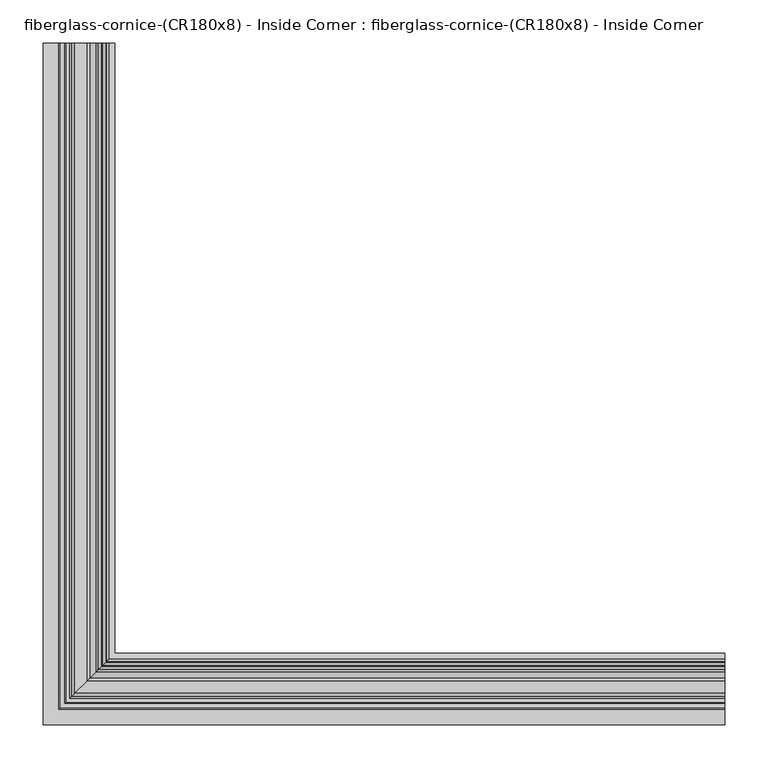
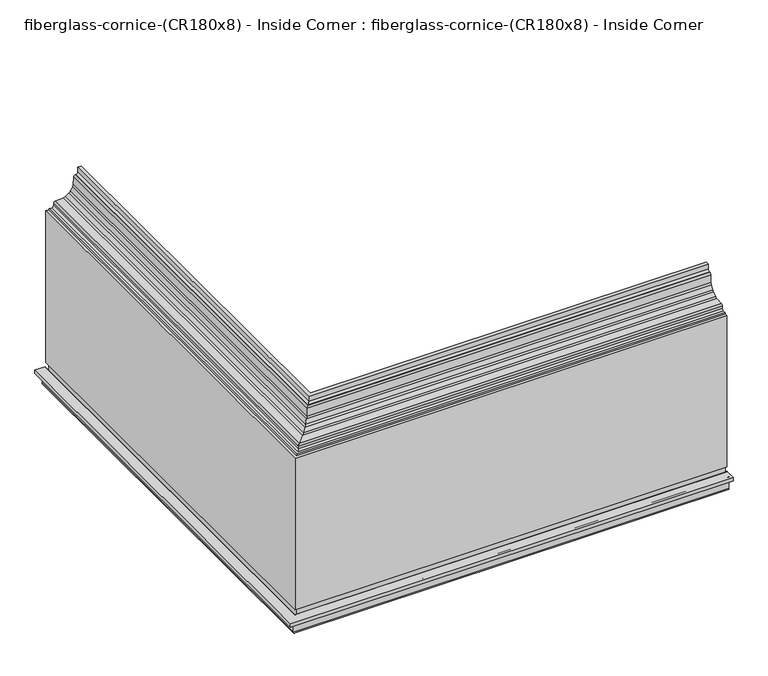
"""IFC4 building model written with IfcOpenShell, lengths in millimetres: furniture geometry, fiberglass-cornice-(CR180x8) - Inside Corner : fiberglass-cornice-(CR180x8) - Inside Corner."""

from ifc_helpers import new_model, si_unit, frame, origin, place, context, project, spatial, polyline, circle_curve, ellipse_curve, source, transform, mapped, element, save
from ifc_brep_helpers import plane_surface, cylinder_surface, revolved_surface, advanced_brep


def fiberglass_cornice_cr180x8_inside_corner_fiberglass_cornice_f8d6cf36(model_context):
    return source(origin(), model_context, "Body", "AdvancedBrep", [
        advanced_brep(
        [(-311.2539933, 888.603125, 330.1999904), (-311.1886329, 888.603125, 314.1070439), (-314.3636329, 888.603125, 310.9320439), (-315.6357952, 888.603125, 310.9320439), (-318.8081475, 888.603125, 307.8866827), (-319.2746493, 888.603125, 296.4710627), (-319.5142982, 888.603125, 295.6445662), (-326.5292074, 888.603125, 283.4942521), (-327.1251439, 888.603125, 282.8734562), (-338.9787903, 888.603125, 275.3681146), (-339.7948084, 888.603125, 275.0949071), (-351.3080808, 888.603125, 274.1521808), (-354.2235989, 888.603125, 271.2366627), (-354.2309538, 888.603125, 266.3509303), (-357.4059502, 888.603125, 263.171163), (-361.4953389, 888.603125, 263.171163), (-363.0828389, 888.603125, 261.583663), (-363.0828389, 888.603125, 16.6929136), (-359.9078389, 888.603125, 13.5179136), (-356.9071489, 888.603125, 13.5179136), (-353.7321489, 888.603125, 10.3429136), (-353.7321489, 888.603125, 0.0731593), (-356.9071489, 888.603125, -3.1018407), (-359.9078389, 888.603125, -3.1018407), (-363.0828389, 888.603125, -6.2768407), (-363.0828389, 888.603125, -53.6088226), (-366.2578389, 888.603125, -56.7838226), (-377.8249938, 888.603125, -56.7838226), (-380.9999938, 888.603125, -53.6088226), (-380.9999938, 888.603125, -32.9713226), (-382.5874938, 888.603125, -31.3838226), (-393.6999938, 888.603125, -31.3838226), (-393.6999938, 888.603125, -25.0338226), (-376.2374938, 888.603125, -25.0338226), (-374.6499938, 888.603125, -26.6213226), (-374.6499938, 888.603125, -48.8463226), (-373.0624938, 888.603125, -50.4338226), (-371.0203389, 888.603125, -50.4338226), (-369.4328389, 888.603125, -48.8463226), (-369.4328389, 888.603125, -17.0963226), (-374.1953389, 888.603125, -17.0963226), (-374.1953389, 888.603125, 267.933663), (-369.4328389, 888.603125, 267.933663), (-367.8453389, 888.603125, 269.521163), (-363.7464228, 888.603125, 269.521163), (-360.5714245, 888.603125, 272.6927921), (-360.5606048, 888.603125, 277.0104378), (-357.6493011, 888.603125, 280.0042025), (-343.3768832, 888.603125, 281.1728523), (-339.77847, 888.603125, 282.3776218), (-333.1193541, 888.603125, 286.5939564), (-330.4914396, 888.603125, 289.3314941), (-326.5506191, 888.603125, 296.1572713), (-325.4938342, 888.603125, 299.8018911), (-324.9039532, 888.603125, 314.2366827), (-321.731601, 888.603125, 317.2820439), (-320.7136329, 888.603125, 317.2820439), (-317.5386329, 888.603125, 320.4570439), (-317.5386329, 888.603125, 330.1999904), (393.6999938, 183.6491256, 330.1999904), (393.6999938, 177.364486, 330.1999904), (393.6999938, 177.364486, 320.4570439), (393.6999938, 174.189486, 317.2820439), (393.6999938, 173.1715178, 317.2820439), (393.6999938, 169.9991656, 314.2366827), (393.6999938, 169.4092846, 299.8018911), (393.6999938, 168.3524998, 296.1572713), (393.6999938, 164.4116792, 289.3314941), (393.6999938, 161.7837647, 286.5939564), (393.6999938, 155.1246488, 282.3776218), (393.6999938, 151.5262356, 281.1728523), (393.6999938, 137.2538177, 280.0042025), (393.6999938, 134.342514, 277.0104378), (393.6999938, 134.3316943, 272.6927921), (393.6999938, 131.1566961, 269.521163), (393.6999938, 127.05778, 269.521163), (393.6999938, 125.47028, 267.933663), (393.6999938, 120.70778, 267.933663), (393.6999938, 120.70778, -17.0963226), (393.6999938, 125.47028, -17.0963226), (393.6999938, 125.47028, -48.8463226), (393.6999938, 123.88278, -50.4338226), (393.6999938, 121.840625, -50.4338226), (393.6999938, 120.253125, -48.8463226), (393.6999938, 120.253125, -26.6213226), (393.6999938, 118.665625, -25.0338226), (393.6999938, 101.203125, -25.0338226), (393.6999938, 101.203125, -31.3838226), (393.6999938, 112.315625, -31.3838226), (393.6999938, 113.903125, -32.9713226), (393.6999938, 113.903125, -53.6088226), (393.6999938, 117.078125, -56.7838226), (393.6999938, 128.64528, -56.7838226), (393.6999938, 131.82028, -53.6088226), (393.6999938, 131.82028, -6.2768407), (393.6999938, 134.99528, -3.1018407), (393.6999938, 137.9959699, -3.1018407), (393.6999938, 141.1709699, 0.0731593), (393.6999938, 141.1709699, 10.3429136), (393.6999938, 137.9959699, 13.5179136), (393.6999938, 134.99528, 13.5179136), (393.6999938, 131.82028, 16.6929136), (393.6999938, 131.82028, 261.583663), (393.6999938, 133.40778, 263.171163), (393.6999938, 137.4971687, 263.171163), (393.6999938, 140.6721651, 266.3509303), (393.6999938, 140.6795199, 271.2366627), (393.6999938, 143.595038, 274.1521808), (393.6999938, 155.1083105, 275.0949071), (393.6999938, 155.9243286, 275.3681146), (393.6999938, 167.777975, 282.8734562), (393.6999938, 168.3739115, 283.4942521), (393.6999938, 175.3888207, 295.6445662), (393.6999938, 175.6284695, 296.4710627), (393.6999938, 176.0949714, 307.8866827), (393.6999938, 179.2673236, 310.9320439), (393.6999938, 180.539486, 310.9320439), (393.6999938, 183.714486, 314.1070439), (-311.2539933, 183.6491256, 330.1999904), (-311.1886329, 183.714486, 314.1070439), (-314.3636329, 180.539486, 310.9320439), (-315.6357952, 179.2673236, 310.9320439), (-318.8081475, 176.0949714, 307.8866827), (-319.2746493, 175.6284695, 296.4710627), (-319.5142982, 175.3888207, 295.6445662), (-326.5292074, 168.3739115, 283.4942521), (-327.1251439, 167.777975, 282.8734562), (-338.9787903, 155.9243286, 275.3681146), (-339.7948084, 155.1083105, 275.0949071), (-351.3080808, 143.595038, 274.1521808), (-354.2235989, 140.6795199, 271.2366627), (-354.2309538, 140.6721651, 266.3509303), (-357.4059502, 137.4971687, 263.171163), (-361.4953389, 133.40778, 263.171163), (-363.0828389, 131.82028, 261.583663), (-363.0828389, 131.82028, 16.6929136), (-359.9078389, 134.99528, 13.5179136), (-356.9071489, 137.9959699, 13.5179136), (-353.7321489, 141.1709699, 10.3429136), (-353.7321489, 141.1709699, 0.0731593), (-356.9071489, 137.9959699, -3.1018407), (-359.9078389, 134.99528, -3.1018407), (-363.0828389, 131.82028, -6.2768407), (-363.0828389, 131.82028, -53.6088226), (-366.2578389, 128.64528, -56.7838226), (-377.8249938, 117.078125, -56.7838226), (-380.9999938, 113.903125, -53.6088226), (-380.9999938, 113.903125, -32.9713226), (-382.5874938, 112.315625, -31.3838226), (-393.6999938, 101.203125, -31.3838226), (-393.6999938, 101.203125, -25.0338226), (-376.2374938, 118.665625, -25.0338226), (-374.6499938, 120.253125, -26.6213226), (-374.6499938, 120.253125, -48.8463226), (-373.0624938, 121.840625, -50.4338226), (-371.0203389, 123.88278, -50.4338226), (-369.4328389, 125.47028, -48.8463226), (-369.4328389, 125.47028, -17.0963226), (-374.1953389, 120.70778, -17.0963226), (-374.1953389, 120.70778, 267.933663), (-369.4328389, 125.47028, 267.933663), (-367.8453389, 127.05778, 269.521163), (-363.7464228, 131.1566961, 269.521163), (-360.5714245, 134.3316943, 272.6927921), (-360.5606048, 134.342514, 277.0104378), (-357.6493011, 137.2538177, 280.0042025), (-343.3768832, 151.5262356, 281.1728523), (-339.77847, 155.1246488, 282.3776218), (-333.1193541, 161.7837647, 286.5939564), (-330.4914396, 164.4116792, 289.3314941), (-326.5506191, 168.3524998, 296.1572713), (-325.4938342, 169.4092846, 299.8018911), (-324.9039532, 169.9991656, 314.2366827), (-321.731601, 173.1715178, 317.2820439), (-320.7136329, 174.189486, 317.2820439), (-317.5386329, 177.364486, 320.4570439), (-317.5386329, 177.364486, 330.1999904)],
        [
            (0, 1),
            (1, 2, circle_curve(frame((-314.3636329, 888.603125, 314.1070439), z_axis=(0.0, 1.0, 0.0), x_axis=(-1.0, 0.0, 0.0)), 3.175)),
            (2, 3),
            (3, 4, circle_curve(frame((-315.6357952, 888.603125, 307.7570439), z_axis=(0.0, -1.0, 0.0), x_axis=(-1.0, 0.0, 0.0)), 3.175)),
            (4, 5),
            (5, 6, circle_curve(frame((-321.0731482, 888.603125, 296.5445587), z_axis=(0.0, 1.0, 0.0), x_axis=(1.0, 0.0, 0.0)), 1.8)),
            (6, 7),
            (7, 8, circle_curve(frame((-328.0880574, 888.603125, 284.3942446), z_axis=(0.0, 1.0, 0.0), x_axis=(1.0, 0.0, 0.0)), 1.8)),
            (8, 9),
            (9, 10, circle_curve(frame((-339.9417038, 888.603125, 276.8889031), z_axis=(0.0, 1.0, 0.0), x_axis=(1.0, 0.0, 0.0)), 1.8)),
            (10, 11),
            (11, 12, circle_curve(frame((-351.3080808, 888.603125, 271.2366627), z_axis=(0.0, -1.0, 0.0), x_axis=(1.0, 0.0, 0.0)), 2.9155181)),
            (12, 13),
            (13, 14, circle_curve(frame((-357.4059502, 888.603125, 266.346163), z_axis=(0.0, 1.0, 0.0), x_axis=(-1.0, 0.0, 0.0)), 3.175)),
            (14, 15),
            (15, 16, circle_curve(frame((-361.4953389, 888.603125, 261.583663), z_axis=(0.0, -1.0, 0.0), x_axis=(-1.0, 0.0, 0.0)), 1.5875)),
            (16, 17),
            (17, 18, circle_curve(frame((-359.9078389, 888.603125, 16.6929136), z_axis=(0.0, -1.0, 0.0), x_axis=(-1.0, 0.0, 0.0)), 3.175)),
            (18, 19),
            (19, 20, circle_curve(frame((-356.9071489, 888.603125, 10.3429136), z_axis=(0.0, 1.0, 0.0), x_axis=(-1.0, 0.0, 0.0)), 3.175)),
            (20, 21),
            (21, 22, circle_curve(frame((-356.9071489, 888.603125, 0.0731593), z_axis=(0.0, 1.0, 0.0), x_axis=(-1.0, 0.0, 0.0)), 3.175)),
            (22, 23),
            (23, 24, circle_curve(frame((-359.9078389, 888.603125, -6.2768407), z_axis=(0.0, -1.0, 0.0), x_axis=(-1.0, 0.0, 0.0)), 3.175)),
            (24, 25),
            (25, 26, circle_curve(frame((-366.2578389, 888.603125, -53.6088226), z_axis=(0.0, 1.0, 0.0), x_axis=(-1.0, 0.0, 0.0)), 3.175)),
            (26, 27),
            (27, 28, circle_curve(frame((-377.8249938, 888.603125, -53.6088226), z_axis=(0.0, 1.0, 0.0), x_axis=(-1.0, 0.0, 0.0)), 3.175)),
            (28, 29),
            (29, 30, circle_curve(frame((-382.5874938, 888.603125, -32.9713226), z_axis=(0.0, -1.0, 0.0), x_axis=(-1.0, 0.0, 0.0)), 1.5875)),
            (30, 31),
            (31, 32),
            (32, 33),
            (33, 34, circle_curve(frame((-376.2374938, 888.603125, -26.6213226), z_axis=(0.0, 1.0, 0.0), x_axis=(-1.0, 0.0, 0.0)), 1.5875)),
            (34, 35),
            (35, 36, circle_curve(frame((-373.0624938, 888.603125, -48.8463226), z_axis=(0.0, -1.0, 0.0), x_axis=(-1.0, 0.0, 0.0)), 1.5875)),
            (36, 37),
            (37, 38, circle_curve(frame((-371.0203389, 888.603125, -48.8463226), z_axis=(0.0, -1.0, 0.0), x_axis=(-1.0, 0.0, 0.0)), 1.5875)),
            (38, 39),
            (39, 40),
            (40, 41),
            (41, 42),
            (42, 43, circle_curve(frame((-367.8453389, 888.603125, 267.933663), z_axis=(0.0, 1.0, 0.0), x_axis=(-1.0, 0.0, 0.0)), 1.5875)),
            (43, 44),
            (44, 45, circle_curve(frame((-363.7464228, 888.603125, 272.696163), z_axis=(0.0, -1.0, 0.0), x_axis=(-1.0, 0.0, 0.0)), 3.175)),
            (45, 46),
            (46, 47, circle_curve(frame((-357.3901939, 888.603125, 276.8397928), z_axis=(0.0, 1.0, 0.0), x_axis=(-1.0, 0.0, 0.0)), 3.175)),
            (47, 48),
            (48, 49, circle_curve(frame((-344.0246513, 888.603125, 289.0838764), z_axis=(0.0, -1.0, 0.0), x_axis=(-1.0, 0.0, 0.0)), 7.9375)),
            (49, 50),
            (50, 51, circle_curve(frame((-337.3655354, 888.603125, 293.300211), z_axis=(0.0, -1.0, 0.0), x_axis=(-1.0, 0.0, 0.0)), 7.9375)),
            (51, 52),
            (52, 53, circle_curve(frame((-333.4247148, 888.603125, 300.1259883), z_axis=(0.0, -1.0, 0.0), x_axis=(-1.0, 0.0, 0.0)), 7.9375)),
            (53, 54),
            (54, 55, circle_curve(frame((-321.731601, 888.603125, 314.1070439), z_axis=(0.0, 1.0, 0.0), x_axis=(-1.0, 0.0, 0.0)), 3.175)),
            (55, 56),
            (56, 57, circle_curve(frame((-320.7136329, 888.603125, 320.4570439), z_axis=(0.0, -1.0, 0.0), x_axis=(-1.0, 0.0, 0.0)), 3.175)),
            (57, 58),
            (58, 0),
            (59, 60),
            (60, 61),
            (61, 62, circle_curve(frame((393.6999938, 174.189486, 320.4570439), z_axis=(-1.0, 0.0, 0.0), x_axis=(0.0, -1.0, 0.0)), 3.175)),
            (62, 63),
            (63, 64, circle_curve(frame((393.6999938, 173.1715178, 314.1070439), z_axis=(1.0, 0.0, 0.0), x_axis=(0.0, -1.0, 0.0)), 3.175)),
            (64, 65),
            (65, 66, circle_curve(frame((393.6999938, 161.478404, 300.1259883), z_axis=(-1.0, 0.0, 0.0), x_axis=(0.0, -1.0, 0.0)), 7.9375)),
            (66, 67),
            (67, 68, circle_curve(frame((393.6999938, 157.5375835, 293.300211), z_axis=(-1.0, 0.0, 0.0), x_axis=(0.0, -1.0, 0.0)), 7.9375)),
            (68, 69),
            (69, 70, circle_curve(frame((393.6999938, 150.8784676, 289.0838764), z_axis=(-1.0, 0.0, 0.0), x_axis=(0.0, -1.0, 0.0)), 7.9375)),
            (70, 71),
            (71, 72, circle_curve(frame((393.6999938, 137.5129249, 276.8397928), z_axis=(1.0, 0.0, 0.0), x_axis=(0.0, -1.0, 0.0)), 3.175)),
            (72, 73),
            (73, 74, circle_curve(frame((393.6999938, 131.1566961, 272.696163), z_axis=(-1.0, 0.0, 0.0), x_axis=(0.0, -1.0, 0.0)), 3.175)),
            (74, 75),
            (75, 76, circle_curve(frame((393.6999938, 127.05778, 267.933663), z_axis=(1.0, 0.0, 0.0), x_axis=(0.0, -1.0, 0.0)), 1.5875)),
            (76, 77),
            (77, 78),
            (78, 79),
            (79, 80),
            (80, 81, circle_curve(frame((393.6999938, 123.88278, -48.8463226), z_axis=(-1.0, 0.0, 0.0), x_axis=(0.0, -1.0, 0.0)), 1.5875)),
            (81, 82),
            (82, 83, circle_curve(frame((393.6999938, 121.840625, -48.8463226), z_axis=(-1.0, 0.0, 0.0), x_axis=(0.0, -1.0, 0.0)), 1.5875)),
            (83, 84),
            (84, 85, circle_curve(frame((393.6999938, 118.665625, -26.6213226), z_axis=(1.0, 0.0, 0.0), x_axis=(0.0, -1.0, 0.0)), 1.5875)),
            (85, 86),
            (86, 87),
            (87, 88),
            (88, 89, circle_curve(frame((393.6999938, 112.315625, -32.9713226), z_axis=(-1.0, 0.0, 0.0), x_axis=(0.0, -1.0, 0.0)), 1.5875)),
            (89, 90),
            (90, 91, circle_curve(frame((393.6999938, 117.078125, -53.6088226), z_axis=(1.0, 0.0, 0.0), x_axis=(0.0, -1.0, 0.0)), 3.175)),
            (91, 92),
            (92, 93, circle_curve(frame((393.6999938, 128.64528, -53.6088226), z_axis=(1.0, 0.0, 0.0), x_axis=(0.0, -1.0, 0.0)), 3.175)),
            (93, 94),
            (94, 95, circle_curve(frame((393.6999938, 134.99528, -6.2768407), z_axis=(-1.0, 0.0, 0.0), x_axis=(0.0, -1.0, 0.0)), 3.175)),
            (95, 96),
            (96, 97, circle_curve(frame((393.6999938, 137.9959699, 0.0731593), z_axis=(1.0, 0.0, 0.0), x_axis=(0.0, -1.0, 0.0)), 3.175)),
            (97, 98),
            (98, 99, circle_curve(frame((393.6999938, 137.9959699, 10.3429136), z_axis=(1.0, 0.0, 0.0), x_axis=(0.0, -1.0, 0.0)), 3.175)),
            (99, 100),
            (100, 101, circle_curve(frame((393.6999938, 134.99528, 16.6929136), z_axis=(-1.0, 0.0, 0.0), x_axis=(0.0, -1.0, 0.0)), 3.175)),
            (101, 102),
            (102, 103, circle_curve(frame((393.6999938, 133.40778, 261.583663), z_axis=(-1.0, 0.0, 0.0), x_axis=(0.0, -1.0, 0.0)), 1.5875)),
            (103, 104),
            (104, 105, circle_curve(frame((393.6999938, 137.4971687, 266.346163), z_axis=(1.0, 0.0, 0.0), x_axis=(0.0, -1.0, 0.0)), 3.175)),
            (105, 106),
            (106, 107, circle_curve(frame((393.6999938, 143.595038, 271.2366627), z_axis=(-1.0, 0.0, 0.0), x_axis=(0.0, 1.0, 0.0)), 2.9155181)),
            (107, 108),
            (108, 109, circle_curve(frame((393.6999938, 154.961415, 276.8889031), z_axis=(1.0, 0.0, 0.0), x_axis=(0.0, 1.0, 0.0)), 1.8)),
            (109, 110),
            (110, 111, circle_curve(frame((393.6999938, 166.8150614, 284.3942446), z_axis=(1.0, 0.0, 0.0), x_axis=(0.0, 1.0, 0.0)), 1.8)),
            (111, 112),
            (112, 113, circle_curve(frame((393.6999938, 173.8299706, 296.5445587), z_axis=(1.0, 0.0, 0.0), x_axis=(0.0, 1.0, 0.0)), 1.8)),
            (113, 114),
            (114, 115, circle_curve(frame((393.6999938, 179.2673236, 307.7570439), z_axis=(-1.0, 0.0, 0.0), x_axis=(0.0, -1.0, 0.0)), 3.175)),
            (115, 116),
            (116, 117, circle_curve(frame((393.6999938, 180.539486, 314.1070439), z_axis=(1.0, 0.0, 0.0), x_axis=(0.0, -1.0, 0.0)), 3.175)),
            (117, 59),
            (0, 118),
            (118, 119),
            (119, 1),
            (119, 120, ellipse_curve(frame((-314.3636329, 180.539486, 314.1070439), z_axis=(-0.7071067811865475, 0.7071067811865475, 0.0), x_axis=(0.7071067811865474, 0.7071067811865476, 0.0)), 4.4901281, 3.175)),
            (120, 2),
            (120, 116),
            (115, 121),
            (121, 3),
            (121, 122, ellipse_curve(frame((-315.6357952, 179.2673236, 307.7570439), z_axis=(0.7071067811865475, -0.7071067811865475, 0.0), x_axis=(-0.7071067811865474, -0.7071067811865476, 0.0)), 4.4901281, 3.175)),
            (122, 4),
            (122, 123),
            (123, 5),
            (123, 124, ellipse_curve(frame((-321.0731482, 173.8299706, 296.5445587), z_axis=(-0.7071067811865475, 0.7071067811865475, 0.0), x_axis=(0.7071067811865474, 0.7071067811865476, 0.0)), 2.5455844, 1.8)),
            (124, 6),
            (124, 125),
            (125, 7),
            (125, 126, ellipse_curve(frame((-328.0880574, 166.8150614, 284.3942446), z_axis=(-0.7071067811865475, 0.7071067811865475, 0.0), x_axis=(0.7071067811865474, 0.7071067811865476, 0.0)), 2.5455844, 1.8)),
            (126, 8),
            (126, 127),
            (127, 9),
            (127, 128, ellipse_curve(frame((-339.9417038, 154.961415, 276.8889031), z_axis=(-0.7071067811865475, 0.7071067811865475, 0.0), x_axis=(0.7071067811865474, 0.7071067811865476, 0.0)), 2.5455844, 1.8)),
            (128, 10),
            (128, 129),
            (129, 11),
            (129, 130, ellipse_curve(frame((-351.3080808, 143.595038, 271.2366627), z_axis=(0.7071067811865475, -0.7071067811865475, 0.0), x_axis=(-0.7071067811865474, -0.7071067811865476, 0.0)), 4.1231652, 2.9155181)),
            (130, 12),
            (130, 131),
            (131, 13),
            (131, 132, ellipse_curve(frame((-357.4059502, 137.4971687, 266.346163), z_axis=(-0.7071067811865475, 0.7071067811865475, 0.0), x_axis=(0.7071067811865474, 0.7071067811865476, 0.0)), 4.4901281, 3.175)),
            (132, 14),
            (132, 104),
            (103, 133),
            (133, 15),
            (133, 134, ellipse_curve(frame((-361.4953389, 133.40778, 261.583663), z_axis=(0.7071067811865475, -0.7071067811865475, 0.0), x_axis=(-0.7071067811865474, -0.7071067811865476, 0.0)), 2.245064, 1.5875)),
            (134, 16),
            (134, 135),
            (135, 17),
            (135, 136, ellipse_curve(frame((-359.9078389, 134.99528, 16.6929136), z_axis=(0.7071067811865475, -0.7071067811865475, 0.0), x_axis=(-0.7071067811865474, -0.7071067811865476, 0.0)), 4.4901281, 3.175)),
            (136, 18),
            (136, 100),
            (99, 137),
            (137, 19),
            (137, 138, ellipse_curve(frame((-356.9071489, 137.9959699, 10.3429136), z_axis=(-0.7071067811865475, 0.7071067811865475, 0.0), x_axis=(0.7071067811865474, 0.7071067811865476, 0.0)), 4.4901281, 3.175)),
            (138, 20),
            (138, 139),
            (139, 21),
            (139, 140, ellipse_curve(frame((-356.9071489, 137.9959699, 0.0731593), z_axis=(-0.7071067811865475, 0.7071067811865475, 0.0), x_axis=(0.7071067811865474, 0.7071067811865476, 0.0)), 4.4901281, 3.175)),
            (140, 22),
            (140, 96),
            (95, 141),
            (141, 23),
            (141, 142, ellipse_curve(frame((-359.9078389, 134.99528, -6.2768407), z_axis=(0.7071067811865475, -0.7071067811865475, 0.0), x_axis=(-0.7071067811865474, -0.7071067811865476, 0.0)), 4.4901281, 3.175)),
            (142, 24),
            (142, 143),
            (143, 25),
            (143, 144, ellipse_curve(frame((-366.2578389, 128.64528, -53.6088226), z_axis=(-0.7071067811865475, 0.7071067811865475, 0.0), x_axis=(0.7071067811865474, 0.7071067811865476, 0.0)), 4.4901281, 3.175)),
            (144, 26),
            (144, 92),
            (91, 145),
            (145, 27),
            (145, 146, ellipse_curve(frame((-377.8249938, 117.078125, -53.6088226), z_axis=(-0.7071067811865475, 0.7071067811865475, 0.0), x_axis=(0.7071067811865474, 0.7071067811865476, 0.0)), 4.4901281, 3.175)),
            (146, 28),
            (146, 147),
            (147, 29),
            (147, 148, ellipse_curve(frame((-382.5874938, 112.315625, -32.9713226), z_axis=(0.7071067811865475, -0.7071067811865475, 0.0), x_axis=(-0.7071067811865474, -0.7071067811865476, 0.0)), 2.245064, 1.5875)),
            (148, 30),
            (148, 88),
            (87, 149),
            (149, 31),
            (149, 150),
            (150, 32),
            (150, 86),
            (85, 151),
            (151, 33),
            (151, 152, ellipse_curve(frame((-376.2374938, 118.665625, -26.6213226), z_axis=(-0.7071067811865475, 0.7071067811865475, 0.0), x_axis=(0.7071067811865474, 0.7071067811865476, 0.0)), 2.245064, 1.5875)),
            (152, 34),
            (152, 153),
            (153, 35),
            (153, 154, ellipse_curve(frame((-373.0624938, 121.840625, -48.8463226), z_axis=(0.7071067811865475, -0.7071067811865475, 0.0), x_axis=(-0.7071067811865474, -0.7071067811865476, 0.0)), 2.245064, 1.5875)),
            (154, 36),
            (154, 82),
            (81, 155),
            (155, 37),
            (155, 156, ellipse_curve(frame((-371.0203389, 123.88278, -48.8463226), z_axis=(0.7071067811865475, -0.7071067811865475, 0.0), x_axis=(-0.7071067811865474, -0.7071067811865476, 0.0)), 2.245064, 1.5875)),
            (156, 38),
            (156, 157),
            (157, 39),
            (157, 79),
            (78, 158),
            (158, 40),
            (158, 159),
            (159, 41),
            (159, 77),
            (76, 160),
            (160, 42),
            (160, 161, ellipse_curve(frame((-367.8453389, 127.05778, 267.933663), z_axis=(-0.7071067811865475, 0.7071067811865475, 0.0), x_axis=(0.7071067811865474, 0.7071067811865476, 0.0)), 2.245064, 1.5875)),
            (161, 43),
            (161, 75),
            (74, 162),
            (162, 44),
            (162, 163, ellipse_curve(frame((-363.7464228, 131.1566961, 272.696163), z_axis=(0.7071067811865475, -0.7071067811865475, 0.0), x_axis=(-0.7071067811865474, -0.7071067811865476, 0.0)), 4.4901281, 3.175)),
            (163, 45),
            (163, 164),
            (164, 46),
            (164, 165, ellipse_curve(frame((-357.3901939, 137.5129249, 276.8397928), z_axis=(-0.7071067811865475, 0.7071067811865475, 0.0), x_axis=(0.7071067811865474, 0.7071067811865476, 0.0)), 4.4901281, 3.175)),
            (165, 47),
            (165, 166),
            (166, 48),
            (166, 167, ellipse_curve(frame((-344.0246513, 150.8784676, 289.0838764), z_axis=(0.7071067811865475, -0.7071067811865475, 0.0), x_axis=(-0.7071067811865474, -0.7071067811865476, 0.0)), 11.2253202, 7.9375)),
            (167, 49),
            (167, 168),
            (168, 50),
            (168, 169, ellipse_curve(frame((-337.3655354, 157.5375835, 293.300211), z_axis=(0.7071067811865475, -0.7071067811865475, 0.0), x_axis=(-0.7071067811865474, -0.7071067811865476, 0.0)), 11.2253202, 7.9375)),
            (169, 51),
            (169, 170),
            (170, 52),
            (170, 171, ellipse_curve(frame((-333.4247148, 161.478404, 300.1259883), z_axis=(0.7071067811865475, -0.7071067811865475, 0.0), x_axis=(-0.7071067811865474, -0.7071067811865476, 0.0)), 11.2253202, 7.9375)),
            (171, 53),
            (171, 172),
            (172, 54),
            (172, 173, ellipse_curve(frame((-321.731601, 173.1715178, 314.1070439), z_axis=(-0.7071067811865475, 0.7071067811865475, 0.0), x_axis=(0.7071067811865474, 0.7071067811865476, 0.0)), 4.4901281, 3.175)),
            (173, 55),
            (173, 63),
            (62, 174),
            (174, 56),
            (174, 175, ellipse_curve(frame((-320.7136329, 174.189486, 320.4570439), z_axis=(0.7071067811865475, -0.7071067811865475, 0.0), x_axis=(-0.7071067811865474, -0.7071067811865476, 0.0)), 4.4901281, 3.175)),
            (175, 57),
            (175, 176),
            (176, 58),
            (176, 60),
            (59, 118),
            (117, 119),
            (114, 122),
            (113, 123),
            (112, 124),
            (111, 125),
            (110, 126),
            (109, 127),
            (108, 128),
            (107, 129),
            (106, 130),
            (105, 131),
            (102, 134),
            (101, 135),
            (98, 138),
            (97, 139),
            (94, 142),
            (93, 143),
            (90, 146),
            (89, 147),
            (84, 152),
            (83, 153),
            (80, 156),
            (73, 163),
            (72, 164),
            (71, 165),
            (70, 166),
            (69, 167),
            (68, 168),
            (67, 169),
            (66, 170),
            (65, 171),
            (64, 172),
            (61, 175),
        ],
        [
            plane_surface(frame((-393.6999938, 888.603125, 330.1999904), z_axis=(0.0, 1.0, 0.0), x_axis=(0.0, 0.0, 1.0))),
            plane_surface(frame((393.6999938, 101.203125, 330.1999904), z_axis=(1.0, 0.0, 0.0), x_axis=(0.0, 0.0, 1.0))),
            plane_surface(frame((-311.2539933, 888.603125, 330.1999904), z_axis=(0.9999917524925653, 0.0, 0.004061397154666375), x_axis=(0.0, -1.0, 0.0))),
            cylinder_surface(frame((-314.3636329, 888.603125, 314.1070439), z_axis=(0.0, 1.0, 0.0), x_axis=(-1.0, 0.0, 0.0)), 3.175),
            plane_surface(frame((-314.3636329, 888.603125, 310.9320439), z_axis=(0.0, 0.0, -1.0), x_axis=(0.0, -1.0, 0.0))),
            revolved_surface(polyline([(-318.81079520000003, 176.09232357209362, 307.7570439), (-318.81079520000003, 888.603125, 307.7570439)]), (-315.6357952, 888.603125, 307.7570439), (0.0, -1.0, 0.0)),
            plane_surface(frame((-318.8081475, 888.603125, 307.8866827), z_axis=(0.9991660611473995, 0.0, -0.04083114315312859), x_axis=(0.0, -1.0, 0.0))),
            cylinder_surface(frame((-321.0731482, 888.603125, 296.5445587), z_axis=(0.0, 1.0, 0.0), x_axis=(1.0, 0.0, 0.0)), 1.8),
            plane_surface(frame((-319.5142982, 888.603125, 295.6445662), z_axis=(0.866027809755315, 0.0, -0.4999958327130458), x_axis=(0.0, -1.0, 0.0))),
            cylinder_surface(frame((-328.0880574, 888.603125, 284.3942446), z_axis=(0.0, 1.0, 0.0), x_axis=(1.0, 0.0, 0.0)), 1.8),
            plane_surface(frame((-327.1251439, 888.603125, 282.8734562), z_axis=(0.5349519697979427, 0.0, -0.8448824711220497), x_axis=(0.0, -1.0, 0.0))),
            cylinder_surface(frame((-339.9417038, 888.603125, 276.8889031), z_axis=(0.0, 1.0, 0.0), x_axis=(1.0, 0.0, 0.0)), 1.8),
            plane_surface(frame((-339.7948084, 888.603125, 275.0949071), z_axis=(0.08160857611228917, 0.0, -0.9966644572296761), x_axis=(0.0, -1.0, 0.0))),
            revolved_surface(polyline([(-348.39256270000004, 140.67951989999995, 271.2366627), (-348.39256270000004, 888.603125, 271.2366627)]), (-351.3080808, 888.603125, 271.2366627), (0.0, -1.0, 0.0)),
            plane_surface(frame((-354.2235989, 888.603125, 271.2366627), z_axis=(0.999998866936516, 0.0, -0.0015053656314293392), x_axis=(0.0, -1.0, 0.0))),
            cylinder_surface(frame((-357.4059502, 888.603125, 266.346163), z_axis=(0.0, 1.0, 0.0), x_axis=(-1.0, 0.0, 0.0)), 3.175),
            plane_surface(frame((-357.4059502, 888.603125, 263.171163), z_axis=(0.0, 0.0, -1.0), x_axis=(0.0, -1.0, 0.0))),
            revolved_surface(polyline([(-363.08283889999996, 131.82028000000003, 261.583663), (-363.08283889999996, 888.603125, 261.583663)]), (-361.4953389, 888.603125, 261.583663), (0.0, -1.0, 0.0)),
            plane_surface(frame((-363.0828389, 888.603125, 261.583663), z_axis=(1.0, 0.0, 0.0), x_axis=(0.0, -1.0, 0.0))),
            revolved_surface(polyline([(-363.0828389, 131.82027997209366, 16.6929136), (-363.0828389, 888.603125, 16.6929136)]), (-359.9078389, 888.603125, 16.6929136), (0.0, -1.0, 0.0)),
            plane_surface(frame((-359.9078389, 888.603125, 13.5179136), z_axis=(0.0, 0.0, 1.0), x_axis=(0.0, -1.0, 0.0))),
            cylinder_surface(frame((-356.9071489, 888.603125, 10.3429136), z_axis=(0.0, 1.0, 0.0), x_axis=(-1.0, 0.0, 0.0)), 3.175),
            plane_surface(frame((-353.7321489, 888.603125, 10.3429136), z_axis=(1.0, 0.0, 0.0), x_axis=(0.0, -1.0, 0.0))),
            cylinder_surface(frame((-356.9071489, 888.603125, 0.0731593), z_axis=(0.0, 1.0, 0.0), x_axis=(-1.0, 0.0, 0.0)), 3.175),
            plane_surface(frame((-356.9071489, 888.603125, -3.1018407), z_axis=(0.0, 0.0, -1.0), x_axis=(0.0, -1.0, 0.0))),
            revolved_surface(polyline([(-363.0828389, 131.82027997209366, -6.2768407), (-363.0828389, 888.603125, -6.2768407)]), (-359.9078389, 888.603125, -6.2768407), (0.0, -1.0, 0.0)),
            plane_surface(frame((-363.0828389, 888.603125, -6.2768407), z_axis=(1.0, 0.0, 0.0), x_axis=(0.0, -1.0, 0.0))),
            cylinder_surface(frame((-366.2578389, 888.603125, -53.6088226), z_axis=(0.0, 1.0, 0.0), x_axis=(-1.0, 0.0, 0.0)), 3.175),
            plane_surface(frame((-366.2578389, 888.603125, -56.7838226), z_axis=(0.0, 0.0, -1.0), x_axis=(0.0, -1.0, 0.0))),
            cylinder_surface(frame((-377.8249938, 888.603125, -53.6088226), z_axis=(0.0, 1.0, 0.0), x_axis=(-1.0, 0.0, 0.0)), 3.175),
            plane_surface(frame((-380.9999938, 888.603125, -53.6088226), z_axis=(-1.0, 0.0, 0.0), x_axis=(0.0, -1.0, 0.0))),
            revolved_surface(polyline([(-384.1749938, 110.7281250214022, -32.9713226), (-384.1749938, 888.603125, -32.9713226)]), (-382.5874938, 888.603125, -32.9713226), (0.0, -1.0, 0.0)),
            plane_surface(frame((-382.5874938, 888.603125, -31.3838226), z_axis=(0.0, 0.0, -1.0), x_axis=(0.0, -1.0, 0.0))),
            plane_surface(frame((-393.6999938, 888.603125, -31.3838226), z_axis=(-1.0, 0.0, 0.0), x_axis=(0.0, -1.0, 0.0))),
            plane_surface(frame((-393.6999938, 888.603125, -25.0338226), z_axis=(0.0, 0.0, 1.0), x_axis=(0.0, -1.0, 0.0))),
            cylinder_surface(frame((-376.2374938, 888.603125, -26.6213226), z_axis=(0.0, 1.0, 0.0), x_axis=(-1.0, 0.0, 0.0)), 1.5875),
            plane_surface(frame((-374.6499938, 888.603125, -26.6213226), z_axis=(1.0, 0.0, 0.0), x_axis=(0.0, -1.0, 0.0))),
            revolved_surface(polyline([(-374.6499938, 120.25312499999995, -48.8463226), (-374.6499938, 888.603125, -48.8463226)]), (-373.0624938, 888.603125, -48.8463226), (0.0, -1.0, 0.0)),
            plane_surface(frame((-373.0624938, 888.603125, -50.4338226), z_axis=(0.0, 0.0, 1.0), x_axis=(0.0, -1.0, 0.0))),
            revolved_surface(polyline([(-372.6078389, 122.29528002140228, -48.8463226), (-372.6078389, 888.603125, -48.8463226)]), (-371.0203389, 888.603125, -48.8463226), (0.0, -1.0, 0.0)),
            plane_surface(frame((-369.4328389, 888.603125, -48.8463226), z_axis=(-1.0, 0.0, 0.0), x_axis=(0.0, -1.0, 0.0))),
            plane_surface(frame((-369.4328389, 888.603125, -17.0963226), z_axis=(0.0, 0.0, -1.0), x_axis=(0.0, -1.0, 0.0))),
            plane_surface(frame((-374.1953389, 888.603125, -17.0963226), z_axis=(-1.0, 0.0, 0.0), x_axis=(0.0, -1.0, 0.0))),
            plane_surface(frame((-374.1953389, 888.603125, 267.933663), z_axis=(0.0, 0.0, 1.0), x_axis=(0.0, -1.0, 0.0))),
            cylinder_surface(frame((-367.8453389, 888.603125, 267.933663), z_axis=(0.0, 1.0, 0.0), x_axis=(-1.0, 0.0, 0.0)), 1.5875),
            plane_surface(frame((-367.8453389, 888.603125, 269.521163), z_axis=(0.0, 0.0, 1.0), x_axis=(0.0, -1.0, 0.0))),
            revolved_surface(polyline([(-366.9214228, 127.98169607209365, 272.696163), (-366.9214228, 888.603125, 272.696163)]), (-363.7464228, 888.603125, 272.696163), (0.0, -1.0, 0.0)),
            plane_surface(frame((-360.5714245, 888.603125, 272.6927921), z_axis=(-0.9999968601613838, 0.0, 0.0025059264502297076), x_axis=(0.0, -1.0, 0.0))),
            cylinder_surface(frame((-357.3901939, 888.603125, 276.8397928), z_axis=(0.0, 1.0, 0.0), x_axis=(-1.0, 0.0, 0.0)), 3.175),
            plane_surface(frame((-357.6493011, 888.603125, 280.0042025), z_axis=(-0.08160857611230549, 0.0, 0.9966644572296747), x_axis=(0.0, -1.0, 0.0))),
            revolved_surface(polyline([(-351.9621513, 142.94096756558974, 289.0838764), (-351.9621513, 888.603125, 289.0838764)]), (-344.0246513, 888.603125, 289.0838764), (0.0, -1.0, 0.0)),
            plane_surface(frame((-339.77847, 888.603125, 282.3776218), z_axis=(-0.5349519697979316, 0.0, 0.8448824711220567), x_axis=(0.0, -1.0, 0.0))),
            revolved_surface(polyline([(-345.3030354, 149.6000834655897, 293.300211), (-345.3030354, 888.603125, 293.300211)]), (-337.3655354, 888.603125, 293.300211), (0.0, -1.0, 0.0)),
            plane_surface(frame((-330.4914396, 888.603125, 289.3314941), z_axis=(-0.8660278097553187, 0.0, 0.4999958327130393), x_axis=(0.0, -1.0, 0.0))),
            revolved_surface(polyline([(-341.3622148, 153.5409039655898, 300.1259883), (-341.3622148, 888.603125, 300.1259883)]), (-333.4247148, 888.603125, 300.1259883), (0.0, -1.0, 0.0)),
            plane_surface(frame((-325.4938342, 888.603125, 299.8018911), z_axis=(-0.9991660611473986, 0.0, 0.04083114315314977), x_axis=(0.0, -1.0, 0.0))),
            cylinder_surface(frame((-321.731601, 888.603125, 314.1070439), z_axis=(0.0, 1.0, 0.0), x_axis=(-1.0, 0.0, 0.0)), 3.175),
            plane_surface(frame((-321.731601, 888.603125, 317.2820439), z_axis=(0.0, 0.0, 1.0), x_axis=(0.0, -1.0, 0.0))),
            revolved_surface(polyline([(-323.8886329, 171.01448597209367, 320.4570439), (-323.8886329, 888.603125, 320.4570439)]), (-320.7136329, 888.603125, 320.4570439), (0.0, -1.0, 0.0)),
            plane_surface(frame((-317.5386329, 888.603125, 320.4570439), z_axis=(-1.0, 0.0, 0.0), x_axis=(0.0, -1.0, 0.0))),
            plane_surface(frame((-317.5386329, 888.603125, 330.1999904), z_axis=(0.0, 0.0, 1.0), x_axis=(0.0, -1.0, 0.0))),
            plane_surface(frame((-311.2539933, 183.6491256, 330.1999904), z_axis=(0.0, 0.9999917524925653, 0.004061397154666375), x_axis=(1.0, 0.0, 0.0))),
            cylinder_surface(frame((-393.6999938, 180.539486, 314.1070439), z_axis=(-1.0, 0.0, 0.0), x_axis=(0.0, -1.0, 0.0)), 3.175),
            revolved_surface(polyline([(393.6999938, 176.0923236, 307.7570439), (-318.8107952279063, 176.0923236, 307.7570439)]), (-393.6999938, 179.2673236, 307.7570439), (1.0, 0.0, 0.0)),
            plane_surface(frame((-318.8081475, 176.0949714, 307.8866827), z_axis=(0.0, 0.9991660611473995, -0.04083114315312859), x_axis=(1.0, 0.0, 0.0))),
            cylinder_surface(frame((-393.6999938, 173.8299706, 296.5445587), z_axis=(-1.0, 0.0, 0.0), x_axis=(0.0, 1.0, 0.0)), 1.8),
            plane_surface(frame((-319.5142982, 175.3888207, 295.6445662), z_axis=(0.0, 0.866027809755315, -0.4999958327130458), x_axis=(1.0, 0.0, 0.0))),
            cylinder_surface(frame((-393.6999938, 166.8150614, 284.3942446), z_axis=(-1.0, 0.0, 0.0), x_axis=(0.0, 1.0, 0.0)), 1.8),
            plane_surface(frame((-327.1251439, 167.777975, 282.8734562), z_axis=(0.0, 0.5349519697979427, -0.8448824711220497), x_axis=(1.0, 0.0, 0.0))),
            cylinder_surface(frame((-393.6999938, 154.961415, 276.8889031), z_axis=(-1.0, 0.0, 0.0), x_axis=(0.0, 1.0, 0.0)), 1.8),
            plane_surface(frame((-339.7948084, 155.1083105, 275.0949071), z_axis=(0.0, 0.08160857611228917, -0.9966644572296761), x_axis=(1.0, 0.0, 0.0))),
            revolved_surface(polyline([(393.6999938, 146.51055609999997, 271.2366627), (-354.2235989, 146.51055609999997, 271.2366627)]), (-393.6999938, 143.595038, 271.2366627), (1.0, 0.0, 0.0)),
            plane_surface(frame((-354.2235989, 140.6795199, 271.2366627), z_axis=(0.0, 0.999998866936516, -0.0015053656314293392), x_axis=(1.0, 0.0, 0.0))),
            cylinder_surface(frame((-393.6999938, 137.4971687, 266.346163), z_axis=(-1.0, 0.0, 0.0), x_axis=(0.0, -1.0, 0.0)), 3.175),
            revolved_surface(polyline([(393.6999938, 131.82028, 261.583663), (-363.0828389, 131.82028, 261.583663)]), (-393.6999938, 133.40778, 261.583663), (1.0, 0.0, 0.0)),
            plane_surface(frame((-363.0828389, 131.82028, 261.583663), z_axis=(0.0, 1.0, 0.0), x_axis=(1.0, 0.0, 0.0))),
            revolved_surface(polyline([(393.6999938, 131.82028, 16.6929136), (-363.08283892790627, 131.82028, 16.6929136)]), (-393.6999938, 134.99528, 16.6929136), (1.0, 0.0, 0.0)),
            cylinder_surface(frame((-393.6999938, 137.9959699, 10.3429136), z_axis=(-1.0, 0.0, 0.0), x_axis=(0.0, -1.0, 0.0)), 3.175),
            plane_surface(frame((-353.7321489, 141.1709699, 10.3429136), z_axis=(0.0, 1.0, 0.0), x_axis=(1.0, 0.0, 0.0))),
            cylinder_surface(frame((-393.6999938, 137.9959699, 0.0731593), z_axis=(-1.0, 0.0, 0.0), x_axis=(0.0, -1.0, 0.0)), 3.175),
            revolved_surface(polyline([(393.6999938, 131.82028, -6.2768407), (-363.08283892790627, 131.82028, -6.2768407)]), (-393.6999938, 134.99528, -6.2768407), (1.0, 0.0, 0.0)),
            plane_surface(frame((-363.0828389, 131.82028, -6.2768407), z_axis=(0.0, 1.0, 0.0), x_axis=(1.0, 0.0, 0.0))),
            cylinder_surface(frame((-393.6999938, 128.64528, -53.6088226), z_axis=(-1.0, 0.0, 0.0), x_axis=(0.0, -1.0, 0.0)), 3.175),
            cylinder_surface(frame((-393.6999938, 117.078125, -53.6088226), z_axis=(-1.0, 0.0, 0.0), x_axis=(0.0, -1.0, 0.0)), 3.175),
            plane_surface(frame((-380.9999938, 113.903125, -53.6088226), z_axis=(0.0, -1.0, 0.0), x_axis=(1.0, 0.0, 0.0))),
            revolved_surface(polyline([(393.6999938, 110.72812499999999, -32.9713226), (-384.1749937785978, 110.72812499999999, -32.9713226)]), (-393.6999938, 112.315625, -32.9713226), (1.0, 0.0, 0.0)),
            plane_surface(frame((-393.6999938, 101.203125, -31.3838226), z_axis=(0.0, -1.0, 0.0), x_axis=(1.0, 0.0, 0.0))),
            cylinder_surface(frame((-393.6999938, 118.665625, -26.6213226), z_axis=(-1.0, 0.0, 0.0), x_axis=(0.0, -1.0, 0.0)), 1.5875),
            plane_surface(frame((-374.6499938, 120.253125, -26.6213226), z_axis=(0.0, 1.0, 0.0), x_axis=(1.0, 0.0, 0.0))),
            revolved_surface(polyline([(393.6999938, 120.253125, -48.8463226), (-374.6499938, 120.253125, -48.8463226)]), (-393.6999938, 121.840625, -48.8463226), (1.0, 0.0, 0.0)),
            revolved_surface(polyline([(393.6999938, 122.29527999999999, -48.8463226), (-372.6078388785978, 122.29527999999999, -48.8463226)]), (-393.6999938, 123.88278, -48.8463226), (1.0, 0.0, 0.0)),
            plane_surface(frame((-369.4328389, 125.47028, -48.8463226), z_axis=(0.0, -1.0, 0.0), x_axis=(1.0, 0.0, 0.0))),
            plane_surface(frame((-374.1953389, 120.70778, -17.0963226), z_axis=(0.0, -1.0, 0.0), x_axis=(1.0, 0.0, 0.0))),
            cylinder_surface(frame((-393.6999938, 127.05778, 267.933663), z_axis=(-1.0, 0.0, 0.0), x_axis=(0.0, -1.0, 0.0)), 1.5875),
            revolved_surface(polyline([(393.6999938, 127.98169610000001, 272.696163), (-366.92142282790627, 127.98169610000001, 272.696163)]), (-393.6999938, 131.1566961, 272.696163), (1.0, 0.0, 0.0)),
            plane_surface(frame((-360.5714245, 134.3316943, 272.6927921), z_axis=(0.0, -0.9999968601613838, 0.0025059264502297076), x_axis=(1.0, 0.0, 0.0))),
            cylinder_surface(frame((-393.6999938, 137.5129249, 276.8397928), z_axis=(-1.0, 0.0, 0.0), x_axis=(0.0, -1.0, 0.0)), 3.175),
            plane_surface(frame((-357.6493011, 137.2538177, 280.0042025), z_axis=(0.0, -0.08160857611230549, 0.9966644572296747), x_axis=(1.0, 0.0, 0.0))),
            revolved_surface(polyline([(393.6999938, 142.9409676, 289.0838764), (-351.96215133441035, 142.9409676, 289.0838764)]), (-393.6999938, 150.8784676, 289.0838764), (1.0, 0.0, 0.0)),
            plane_surface(frame((-339.77847, 155.1246488, 282.3776218), z_axis=(0.0, -0.5349519697979316, 0.8448824711220567), x_axis=(1.0, 0.0, 0.0))),
            revolved_surface(polyline([(393.6999938, 149.6000835, 293.300211), (-345.30303543441033, 149.6000835, 293.300211)]), (-393.6999938, 157.5375835, 293.300211), (1.0, 0.0, 0.0)),
            plane_surface(frame((-330.4914396, 164.4116792, 289.3314941), z_axis=(0.0, -0.8660278097553187, 0.4999958327130393), x_axis=(1.0, 0.0, 0.0))),
            revolved_surface(polyline([(393.6999938, 153.540904, 300.1259883), (-341.36221483441034, 153.540904, 300.1259883)]), (-393.6999938, 161.478404, 300.1259883), (1.0, 0.0, 0.0)),
            plane_surface(frame((-325.4938342, 169.4092846, 299.8018911), z_axis=(0.0, -0.9991660611473986, 0.04083114315314977), x_axis=(1.0, 0.0, 0.0))),
            cylinder_surface(frame((-393.6999938, 173.1715178, 314.1070439), z_axis=(-1.0, 0.0, 0.0), x_axis=(0.0, -1.0, 0.0)), 3.175),
            revolved_surface(polyline([(393.6999938, 171.01448599999998, 320.4570439), (-323.88863292790626, 171.01448599999998, 320.4570439)]), (-393.6999938, 174.189486, 320.4570439), (1.0, 0.0, 0.0)),
            plane_surface(frame((-317.5386329, 177.364486, 320.4570439), z_axis=(0.0, -1.0, 0.0), x_axis=(1.0, 0.0, 0.0))),
        ],
        [
            (0, [[1, 2, 3, 4, 5, 6, 7, 8, 9, 10, 11, 12, 13, 14, 15, 16, 17, 18, 19, 20, 21, 22, 23, 24, 25, 26, 27, 28, 29, 30, 31, 32, 33, 34, 35, 36, 37, 38, 39, 40, 41, 42, 43, 44, 45, 46, 47, 48, 49, 50, 51, 52, 53, 54, 55, 56, 57, 58, 59]]),
            (1, [[60, 61, 62, 63, 64, 65, 66, 67, 68, 69, 70, 71, 72, 73, 74, 75, 76, 77, 78, 79, 80, 81, 82, 83, 84, 85, 86, 87, 88, 89, 90, 91, 92, 93, 94, 95, 96, 97, 98, 99, 100, 101, 102, 103, 104, 105, 106, 107, 108, 109, 110, 111, 112, 113, 114, 115, 116, 117, 118]]),
            (2, [[-1, 119, 120, 121]]),
            (3, [[-2, -121, 122, 123]]),
            (4, [[-3, -123, 124, -116, 125, 126]]),
            (5, [[-4, -126, 127, 128]]),
            (6, [[-5, -128, 129, 130]]),
            (7, [[-6, -130, 131, 132]]),
            (8, [[-7, -132, 133, 134]]),
            (9, [[-8, -134, 135, 136]]),
            (10, [[-9, -136, 137, 138]]),
            (11, [[-10, -138, 139, 140]]),
            (12, [[-11, -140, 141, 142]]),
            (13, [[-12, -142, 143, 144]]),
            (14, [[-13, -144, 145, 146]]),
            (15, [[-14, -146, 147, 148]]),
            (16, [[-15, -148, 149, -104, 150, 151]]),
            (17, [[-16, -151, 152, 153]]),
            (18, [[-17, -153, 154, 155]]),
            (19, [[-18, -155, 156, 157]]),
            (20, [[-19, -157, 158, -100, 159, 160]]),
            (21, [[-20, -160, 161, 162]]),
            (22, [[-21, -162, 163, 164]]),
            (23, [[-22, -164, 165, 166]]),
            (24, [[-23, -166, 167, -96, 168, 169]]),
            (25, [[-24, -169, 170, 171]]),
            (26, [[-25, -171, 172, 173]]),
            (27, [[-26, -173, 174, 175]]),
            (28, [[-27, -175, 176, -92, 177, 178]]),
            (29, [[-28, -178, 179, 180]]),
            (30, [[-29, -180, 181, 182]]),
            (31, [[-30, -182, 183, 184]]),
            (32, [[-31, -184, 185, -88, 186, 187]]),
            (33, [[-32, -187, 188, 189]]),
            (34, [[-33, -189, 190, -86, 191, 192]]),
            (35, [[-34, -192, 193, 194]]),
            (36, [[-35, -194, 195, 196]]),
            (37, [[-36, -196, 197, 198]]),
            (38, [[-37, -198, 199, -82, 200, 201]]),
            (39, [[-38, -201, 202, 203]]),
            (40, [[-39, -203, 204, 205]]),
            (41, [[-40, -205, 206, -79, 207, 208]]),
            (42, [[-41, -208, 209, 210]]),
            (43, [[-42, -210, 211, -77, 212, 213]]),
            (44, [[-43, -213, 214, 215]]),
            (45, [[-44, -215, 216, -75, 217, 218]]),
            (46, [[-45, -218, 219, 220]]),
            (47, [[-46, -220, 221, 222]]),
            (48, [[-47, -222, 223, 224]]),
            (49, [[-48, -224, 225, 226]]),
            (50, [[-49, -226, 227, 228]]),
            (51, [[-50, -228, 229, 230]]),
            (52, [[-51, -230, 231, 232]]),
            (53, [[-52, -232, 233, 234]]),
            (54, [[-53, -234, 235, 236]]),
            (55, [[-54, -236, 237, 238]]),
            (56, [[-55, -238, 239, 240]]),
            (57, [[-56, -240, 241, -63, 242, 243]]),
            (58, [[-57, -243, 244, 245]]),
            (59, [[-58, -245, 246, 247]]),
            (60, [[-59, -247, 248, -60, 249, -119]]),
            (61, [[-120, -249, -118, 250]]),
            (62, [[-122, -250, -117, -124]]),
            (63, [[-127, -125, -115, 251]]),
            (64, [[-129, -251, -114, 252]]),
            (65, [[-131, -252, -113, 253]]),
            (66, [[-133, -253, -112, 254]]),
            (67, [[-135, -254, -111, 255]]),
            (68, [[-137, -255, -110, 256]]),
            (69, [[-139, -256, -109, 257]]),
            (70, [[-141, -257, -108, 258]]),
            (71, [[-143, -258, -107, 259]]),
            (72, [[-145, -259, -106, 260]]),
            (73, [[-147, -260, -105, -149]]),
            (74, [[-152, -150, -103, 261]]),
            (75, [[-154, -261, -102, 262]]),
            (76, [[-156, -262, -101, -158]]),
            (77, [[-161, -159, -99, 263]]),
            (78, [[-163, -263, -98, 264]]),
            (79, [[-165, -264, -97, -167]]),
            (80, [[-170, -168, -95, 265]]),
            (81, [[-172, -265, -94, 266]]),
            (82, [[-174, -266, -93, -176]]),
            (83, [[-179, -177, -91, 267]]),
            (84, [[-181, -267, -90, 268]]),
            (85, [[-183, -268, -89, -185]]),
            (86, [[-188, -186, -87, -190]]),
            (87, [[-193, -191, -85, 269]]),
            (88, [[-195, -269, -84, 270]]),
            (89, [[-197, -270, -83, -199]]),
            (90, [[-202, -200, -81, 271]]),
            (91, [[-204, -271, -80, -206]]),
            (92, [[-209, -207, -78, -211]]),
            (93, [[-214, -212, -76, -216]]),
            (94, [[-219, -217, -74, 272]]),
            (95, [[-221, -272, -73, 273]]),
            (96, [[-223, -273, -72, 274]]),
            (97, [[-225, -274, -71, 275]]),
            (98, [[-227, -275, -70, 276]]),
            (99, [[-229, -276, -69, 277]]),
            (100, [[-231, -277, -68, 278]]),
            (101, [[-233, -278, -67, 279]]),
            (102, [[-235, -279, -66, 280]]),
            (103, [[-237, -280, -65, 281]]),
            (104, [[-239, -281, -64, -241]]),
            (105, [[-244, -242, -62, 282]]),
            (106, [[-246, -282, -61, -248]]),
        ],
    ),
    ])


if __name__ == "__main__":
    model = new_model("IFC4")
    model_context = context("Model", 3, world=origin())
    ifc_project = project(units=[si_unit("LENGTHUNIT", "METRE", prefix="MILLI")], contexts=[model_context])
    site = spatial("IfcSite", under=ifc_project)
    building = spatial("IfcBuilding", under=site)
    placement = place(None, origin())
    fiberglass_cornice_cr180x8_inside_corner_fiberglass_cornice_shape = fiberglass_cornice_cr180x8_inside_corner_fiberglass_cornice_f8d6cf36(model_context)
    element("IfcFurniture", 1, ObjectType="fiberglass-cornice-(CR180x8) - Inside Corner : fiberglass-cornice-(CR180x8) - Inside Corner", at=placement, inside=building, context=model_context, shape_type="MappedRepresentation", body=[
        mapped(fiberglass_cornice_cr180x8_inside_corner_fiberglass_cornice_shape, transform((0.0, 0.0, 0.0), x_axis=(1.0, 0.0, 0.0), y_axis=(0.0, 1.0, 0.0), z_axis=(0.0, 0.0, 1.0))),
    ])
    save(model, "model.ifc")
